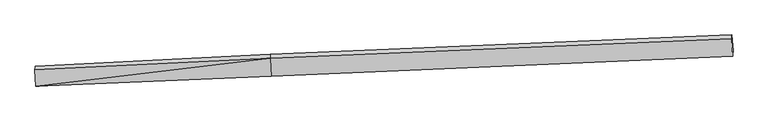
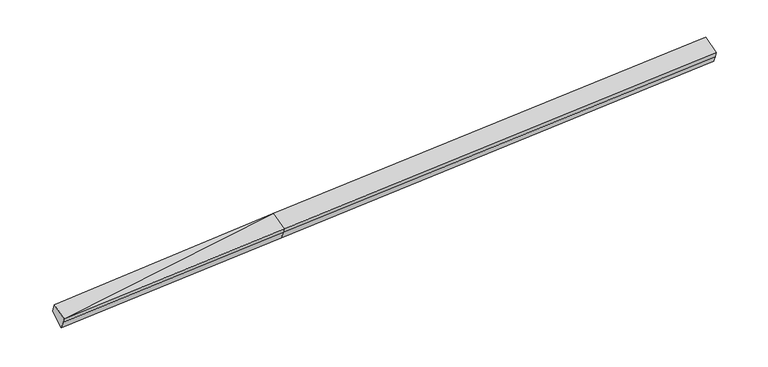
"""IFC4 building model written with IfcOpenShell, lengths in millimetres: proxy geometry."""

from ifc_helpers import new_model, si_unit, frame, origin, place, context, project, spatial, source, transform, mapped, element, save
from ifc_brep_helpers import plane_surface, spline_surface, advanced_brep


def generic_models_b438d849(model_context):
    return source(origin(), model_context, "Body", "AdvancedBrep", [
        advanced_brep(
        [(-11413.5739946, -2420.3188855, 1540.1062829), (-11407.9346099, -2346.7065462, 1345.3419705), (-2767.1065437, -1979.6193976, 1734.2792271), (-2772.7459284, -2053.2317369, 1929.0435395), (-11447.3688926, -1826.8479205, 1763.4336628), (-2810.0001467, -1399.0117755, 2175.2312023), (-11437.0152222, -1691.6987972, 1405.8546709), (-2802.0062933, -1245.7870006, 1854.5615934), (-11399.9565055, -2193.6873454, 1025.2162719), (-2759.1284393, -1826.6001969, 1414.1535285), (14156.2009764, -542.2687077, 2664.9557516), (14149.5608727, -677.8226405, 2938.871658), (14186.8150909, -1332.0426019, 2692.6839952), (14192.4544756, -1258.4302626, 2497.9196827), (14199.0788305, -1123.081904, 2224.5476867)],
        [
            (0, 1),
            (1, 2),
            (2, 3),
            (3, 0),
            (4, 0),
            (0, 5),
            (5, 4),
            (6, 4),
            (5, 7),
            (7, 6),
            (8, 6),
            (7, 9),
            (9, 8),
            (1, 8),
            (9, 2),
            (10, 11),
            (11, 12),
            (12, 13),
            (13, 14),
            (14, 10),
            (3, 5),
            (5, 11),
            (10, 7),
            (3, 12),
            (2, 13),
            (9, 14),
        ],
        [
            plane_surface(frame((-11410.7543023, -2383.5127158, 1442.7241267), z_axis=(0.05552621990375941, -0.9345044832161075, -0.35159381358635344), x_axis=(0.027074992506834674, 0.35341684220466035, -0.9350740507718311))),
            plane_surface(frame((-11430.4714436, -2123.583403, 1651.7699728), z_axis=(-0.027074992506835677, -0.3534168422046542, 0.9350740507718336), x_axis=(0.05322031174032432, -0.9345999448311357, -0.3516966612578244))),
            spline_surface(1, 1, [[(-11437.0152222, -1691.6987972, 1405.8546709), (-2802.0062933, -1245.7870006, 1854.5615934)], [(-11447.3688926, -1826.8479205, 1763.4336628), (-2810.0001467, -1399.0117755, 2175.2312023)]], [2, 2], [2, 2], [0.0, 1.0], [0.0, 1.0]),
            plane_surface(frame((-11418.4858638, -1942.6930713, 1215.5354714), z_axis=(0.010161173077006085, 0.6046495982151668, -0.7964267787687306), x_axis=(-0.058723468308412886, 0.7954541123404961, 0.6031619263766772))),
            plane_surface(frame((-11403.9455577, -2270.1969458, 1185.2791212), z_axis=(0.05761611377506571, -0.9012859553421446, -0.42937630365037216), x_axis=(0.022479421741197714, 0.4311529345991437, -0.9019987930062479))),
            plane_surface(frame((14176.8220492, -986.7292234, 2603.7957549), z_axis=(0.9982156797000425, 0.04024274801413265, 0.04411324101960003), x_axis=(-0.02172139954597679, -0.44342999201531036, 0.8960457705848881))),
            plane_surface(frame((-11421.169845, -2095.851899, 1415.9905718), z_axis=(-0.9982156797000424, -0.04024274801413034, -0.044113241019604135), x_axis=(-0.027074992506834674, -0.35341684220466035, 0.9350740507718311))),
            plane_surface(frame((-11413.5739946, -2420.3188855, 1540.1062829), z_axis=(-0.02707499250683506, -0.3534168422046582, 0.935074050771832), x_axis=(0.05322031174032517, -0.9345999448311342, -0.35169666125782845))),
            spline_surface(1, 1, [[(-2802.0062933, -1245.7870006, 1854.5615934), (14156.2009764, -542.2687077, 2664.9557516)], [(-2810.0001467, -1399.0117755, 2175.2312023), (14149.5608727, -677.8226405, 2938.871658)]], [2, 2], [2, 2], [0.0, 1.0], [0.0, 1.0]),
            plane_surface(frame((-2791.3730375, -1726.1217562, 2052.1373709), z_axis=(-0.027074992506835878, -0.35341684220465824, 0.935074050771832), x_axis=(0.05322031174032517, -0.9345999448311342, -0.35169666125782845))),
            plane_surface(frame((-2769.9262361, -2016.4255673, 1831.6613833), z_axis=(0.05557000510850095, -0.9345026221935899, -0.35159184240472086), x_axis=(0.027074992506876238, 0.35341684220466, -0.9350740507718301))),
            spline_surface(1, 1, [[(-2767.1065437, -1979.6193976, 1734.2792271), (14192.4544756, -1258.4302626, 2497.9196827)], [(-2759.1284393, -1826.6001969, 1414.1535285), (14199.0788305, -1123.081904, 2224.5476867)]], [2, 2], [2, 2], [0.0, 1.0], [0.0, 1.0]),
            plane_surface(frame((-2780.5673663, -1536.1935987, 1634.3575609), z_axis=(0.01296464749845989, 0.6047613515700766, -0.796301215346539), x_axis=(-0.058723468308428374, 0.7954541123404951, 0.6031619263766772))),
        ],
        [
            (0, [[1, 2, 3, 4]]),
            (1, [[5, 6, 7]]),
            (2, [[8, -7, 9, 10]]),
            (3, [[11, -10, 12, 13]]),
            (4, [[14, -13, 15, -2]]),
            (5, [[16, 17, 18, 19, 20]]),
            (6, [[-1, -5, -8, -11, -14]]),
            (7, [[21, -6, -4]]),
            (8, [[-9, 22, -16, 23]]),
            (9, [[-21, 24, -17, -22]]),
            (10, [[-3, 25, -18, -24]]),
            (11, [[-15, 26, -19, -25]]),
            (12, [[-12, -23, -20, -26]]),
        ],
    ),
    ])


if __name__ == "__main__":
    model = new_model("IFC4")
    model_context = context("Model", 3, world=origin())
    ifc_project = project(units=[si_unit("LENGTHUNIT", "METRE", prefix="MILLI")], contexts=[model_context])
    site = spatial("IfcSite", under=ifc_project)
    building = spatial("IfcBuilding", under=site)
    placement = place(None, origin())
    generic_models_shape = generic_models_b438d849(model_context)
    element("IfcBuildingElementProxy", 1, Name="Generic Models", at=placement, inside=building, context=model_context, shape_type="MappedRepresentation", body=[
        mapped(generic_models_shape, transform((0.0, 0.0, 0.0), x_axis=(1.0, 0.0, 0.0), y_axis=(0.0, 1.0, 0.0), z_axis=(0.0, 0.0, 1.0))),
    ])
    save(model, "model.ifc")
